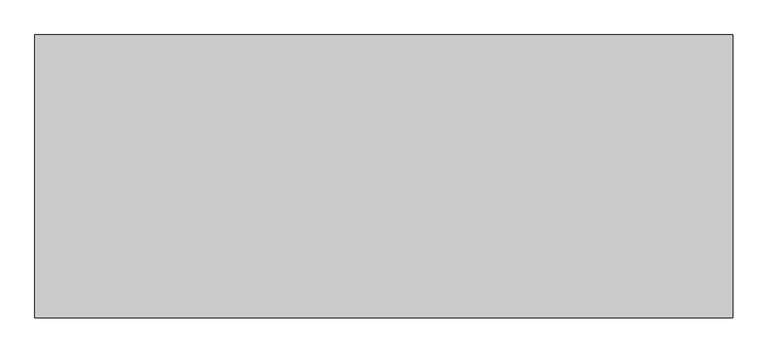
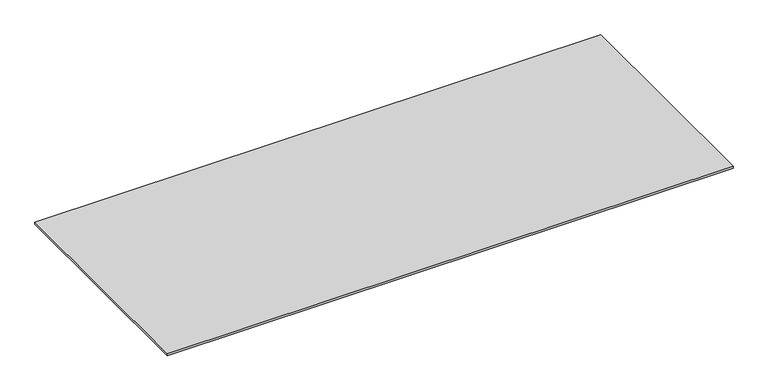
"""IFC4 building model written with IfcOpenShell, lengths in millimetres: proxy geometry."""

from ifc_helpers import new_model, si_unit, origin, origin_with_axes, place, context, project, spatial, polyline, outline, extrude, source, transform, mapped, element, save


def specialty_equipment_6d1ded1b(model_context):
    return source(origin(), model_context, "Body", "SweptSolid", [
        extrude(outline(polyline([(1030.0, -705.0), (1030.0, -1540.0), (-1030.0, -1540.0), (-1030.0, -705.0), (1030.0, -705.0)])), origin_with_axes(), (0.0, 0.0, 1.0), 7.0),
    ])


if __name__ == "__main__":
    model = new_model("IFC4")
    model_context = context("Model", 3, world=origin())
    ifc_project = project(units=[si_unit("LENGTHUNIT", "METRE", prefix="MILLI")], contexts=[model_context])
    site = spatial("IfcSite", under=ifc_project)
    building = spatial("IfcBuilding", under=site)
    placement = place(None, origin())
    specialty_equipment_shape = specialty_equipment_6d1ded1b(model_context)
    element("IfcBuildingElementProxy", 1, Name="Specialty Equipment", at=placement, inside=building, context=model_context, shape_type="MappedRepresentation", body=[
        mapped(specialty_equipment_shape, transform((0.0, 0.0, 0.0), x_axis=(1.0, 0.0, 0.0), y_axis=(0.0, 1.0, 0.0), z_axis=(0.0, 0.0, 1.0))),
    ])
    save(model, "model.ifc")
